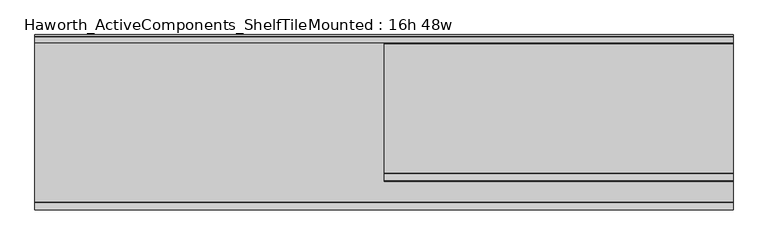
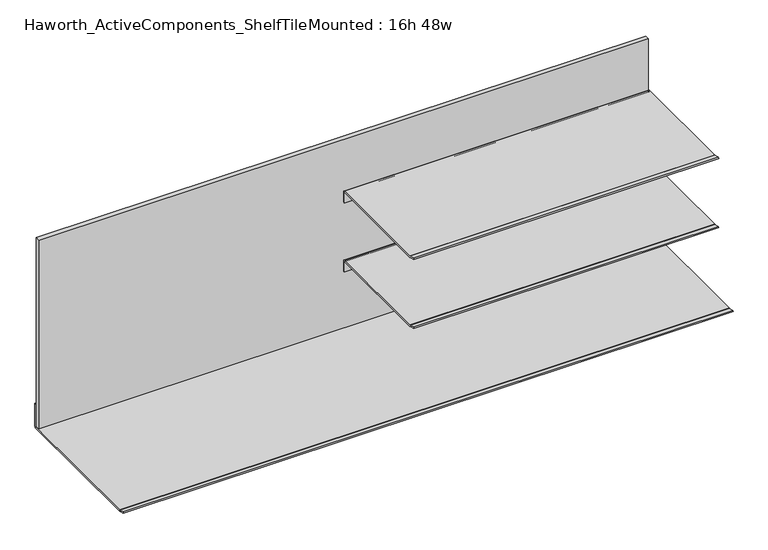
"""IFC4 building model written with IfcOpenShell, lengths in millimetres: furniture geometry, Haworth_ActiveComponents_ShelfTileMounted : 16h 48w."""

from ifc_helpers import new_model, si_unit, point, frame, frame_2d, origin, place, context, project, spatial, polyline, circle_curve, trimmed, segment, composite_curve, outline, extrude, source, transform, mapped, element, save


def haworth_activecomponents_shelftilemounted_16h_48w_a60a852a(model_context):
    return source(origin(), model_context, "Body", "SweptSolid", [
        extrude(outline(composite_curve([segment(polyline([(-1314.0921863, 734.7747869), (-1313.4018975, 737.3509066), (-1301.2394379, 734.0919868)]), True, "CONTINUOUS"), segment(trimmed(circle_curve(frame_2d((-1300.4176878, 737.1588014)), 3.175), [point((-1301.2394379, 734.0919868))], [point((-1300.4176878, 733.9838014))], True, "CARTESIAN"), True, "CONTINUOUS"), segment(polyline([(-1300.4176878, 733.9838014), (-1074.325211, 733.9838014)]), True, "CONTINUOUS"), segment(trimmed(circle_curve(frame_2d((-1074.325211, 730.9985118)), 2.9852896), [point((-1074.325211, 733.9838014))], [point((-1071.3399214, 730.9985118))], False, "CARTESIAN"), True, "CONTINUOUS"), segment(polyline([(-1071.3399214, 730.9985118), (-1071.3399214, 708.5837984), (-1074.2058961, 708.5837984), (-1074.2058961, 730.3073917)]), True, "CONTINUOUS"), segment(trimmed(circle_curve(frame_2d((-1075.2153083, 730.3073917)), 1.0094122), [point((-1074.2058961, 730.3073917))], [point((-1075.2153083, 731.316804))], True, "CARTESIAN"), True, "CONTINUOUS"), segment(polyline([(-1075.2153083, 731.316804), (-1300.768816, 731.316804)]), True, "CONTINUOUS"), segment(trimmed(circle_curve(frame_2d((-1300.768816, 734.491804)), 3.175), [point((-1300.768816, 731.316804))], [point((-1301.5905661, 731.4249894))], False, "CARTESIAN"), True, "CONTINUOUS"), segment(polyline([(-1301.5905661, 731.4249894), (-1314.0921863, 734.7747869)]), True, "CONTINUOUS")], self_intersect=False)), frame((-1650.946931, 0.0, 0.0), z_axis=(1.0, 0.0, 0.0), x_axis=(0.0, 1.0, 0.0)), (0.0, 0.0, 1.0), 609.6),
        extrude(outline(composite_curve([segment(polyline([(-1314.0921863, 881.0787943), (-1313.4018975, 883.654914), (-1301.2394379, 880.3959943)]), True, "CONTINUOUS"), segment(trimmed(circle_curve(frame_2d((-1300.4176878, 883.4628089)), 3.175), [point((-1301.2394379, 880.3959943))], [point((-1300.4176878, 880.2878089))], True, "CARTESIAN"), True, "CONTINUOUS"), segment(polyline([(-1300.4176878, 880.2878089), (-1074.325211, 880.2878089)]), True, "CONTINUOUS"), segment(trimmed(circle_curve(frame_2d((-1074.325211, 877.3025192)), 2.9852896), [point((-1074.325211, 880.2878089))], [point((-1071.3399214, 877.3025192))], False, "CARTESIAN"), True, "CONTINUOUS"), segment(polyline([(-1071.3399214, 877.3025192), (-1071.3399214, 854.8878058), (-1074.2058961, 854.8878058), (-1074.2058961, 876.6113992)]), True, "CONTINUOUS"), segment(trimmed(circle_curve(frame_2d((-1075.2153083, 876.6113992)), 1.0094122), [point((-1074.2058961, 876.6113992))], [point((-1075.2153083, 877.6208114))], True, "CARTESIAN"), True, "CONTINUOUS"), segment(polyline([(-1075.2153083, 877.6208114), (-1300.768816, 877.6208114)]), True, "CONTINUOUS"), segment(trimmed(circle_curve(frame_2d((-1300.768816, 880.7958114)), 3.175), [point((-1300.768816, 877.6208114))], [point((-1301.5905661, 877.7289968))], False, "CARTESIAN"), True, "CONTINUOUS"), segment(polyline([(-1301.5905661, 877.7289968), (-1314.0921863, 881.0787943)]), True, "CONTINUOUS")], self_intersect=False)), frame((-1650.946931, 0.0, 0.0), z_axis=(1.0, 0.0, 0.0), x_axis=(0.0, 1.0, 0.0)), (0.0, 0.0, 1.0), 609.6),
        extrude(outline(polyline([(-2260.546931, -1071.3399214), (-2260.546931, -1061.814921), (-1041.346931, -1061.814921), (-1041.346931, -1071.3399214), (-2260.546931, -1071.3399214)])), frame((0.0, 0.0, 588.8989999), z_axis=(0.0, 0.0, 1.0), x_axis=(1.0, 0.0, 0.0)), (0.0, 0.0, 1.0), 398.6529995),
        extrude(outline(composite_curve([segment(polyline([(-1061.0529213, 584.2), (-1351.0608317, 584.2)]), True, "CONTINUOUS"), segment(trimmed(circle_curve(frame_2d((-1351.0608317, 587.375)), 3.175), [point((-1351.0608317, 584.2))], [point((-1351.8825846, 584.3081862))], False, "CARTESIAN"), True, "CONTINUOUS"), segment(polyline([(-1351.8825846, 584.3081862), (-1364.3841902, 587.6579801), (-1363.6939146, 590.2341249), (-1351.7011481, 587.020674)]), True, "CONTINUOUS"), segment(trimmed(circle_curve(frame_2d((-1350.8794014, 590.0874913)), 3.1750017), [point((-1351.7011481, 587.020674))], [point((-1350.8794014, 586.9124896))], True, "CARTESIAN"), True, "CONTINUOUS"), segment(polyline([(-1350.8794014, 586.9124896), (-1061.5371086, 586.9124896)]), True, "CONTINUOUS"), segment(trimmed(circle_curve(frame_2d((-1061.5371086, 587.9046771)), 0.9921875), [point((-1061.5371086, 586.9124896))], [point((-1060.5449211, 587.9046771))], True, "CARTESIAN"), True, "CONTINUOUS"), segment(polyline([(-1060.5449211, 587.9046771), (-1060.5449211, 634.6189999), (-1057.8779213, 634.6189999), (-1057.8779213, 587.375)]), True, "CONTINUOUS"), segment(trimmed(circle_curve(frame_2d((-1061.0529213, 587.375)), 3.175), [point((-1057.8779213, 587.375))], [point((-1061.0529213, 584.2))], False, "CARTESIAN"), True, "CONTINUOUS")], self_intersect=False)), frame((-2260.546931, 0.0, 0.0), z_axis=(1.0, 0.0, 0.0), x_axis=(0.0, 1.0, 0.0)), (0.0, 0.0, 1.0), 1219.2),
    ])


if __name__ == "__main__":
    model = new_model("IFC4")
    model_context = context("Model", 3, world=origin())
    ifc_project = project(units=[si_unit("LENGTHUNIT", "METRE", prefix="MILLI")], contexts=[model_context])
    site = spatial("IfcSite", under=ifc_project)
    building = spatial("IfcBuilding", under=site)
    placement = place(None, origin())
    haworth_activecomponents_shelftilemounted_16h_48w_shape = haworth_activecomponents_shelftilemounted_16h_48w_a60a852a(model_context)
    element("IfcFurniture", 1, ObjectType="Haworth_ActiveComponents_ShelfTileMounted : 16h 48w", at=placement, inside=building, context=model_context, shape_type="MappedRepresentation", body=[
        mapped(haworth_activecomponents_shelftilemounted_16h_48w_shape, transform((0.0, 0.0, 0.0), x_axis=(1.0, 0.0, 0.0), y_axis=(0.0, 1.0, 0.0), z_axis=(0.0, 0.0, 1.0))),
    ])
    save(model, "model.ifc")
